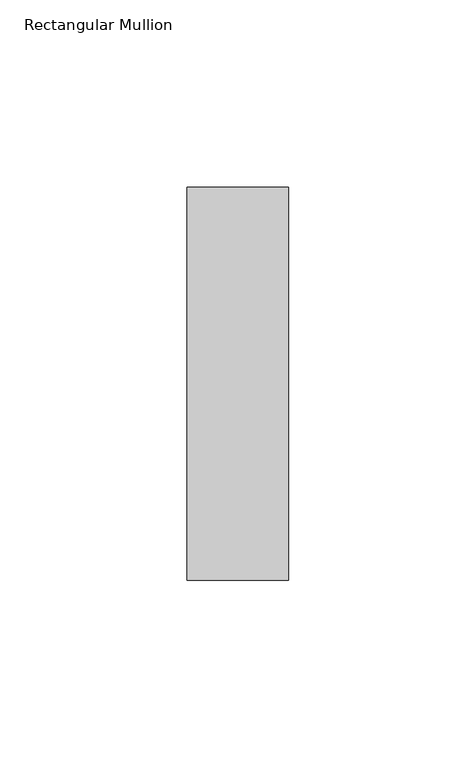
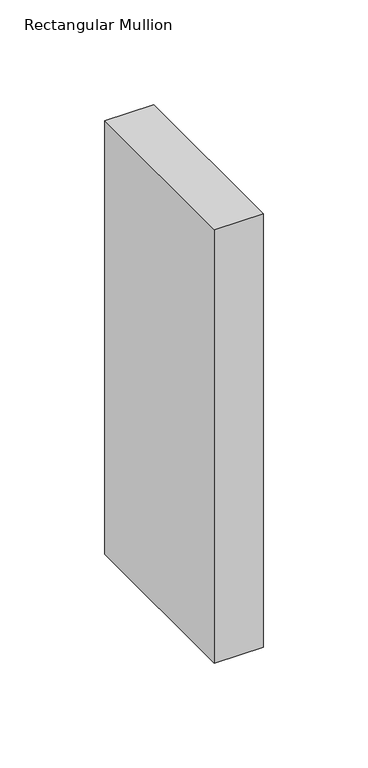
"""IFC4 building model written with IfcOpenShell, lengths in millimetres: member geometry, Rectangular Mullion."""

from ifc_helpers import new_model, si_unit, frame, origin, place, context, project, spatial, polyline, outline, extrude, source, transform, mapped, element, save


def rectangular_mullion_b993aa70(model_context):
    return source(origin(), model_context, "Body", "SweptSolid", [
        extrude(outline(polyline([(-27.0, 52.3975), (0.0, 52.3975), (0.0, -52.3975), (-27.0, -52.3975), (-27.0, 52.3975)])), frame((0.0, 0.0, -253.0), z_axis=(0.0, 0.0, 1.0), x_axis=(1.0, 0.0, 0.0)), (0.0, 0.0, 1.0), 253.0),
    ])


if __name__ == "__main__":
    model = new_model("IFC4")
    model_context = context("Model", 3, world=origin())
    ifc_project = project(units=[si_unit("LENGTHUNIT", "METRE", prefix="MILLI")], contexts=[model_context])
    site = spatial("IfcSite", under=ifc_project)
    building = spatial("IfcBuilding", under=site)
    placement = place(None, origin())
    rectangular_mullion_shape = rectangular_mullion_b993aa70(model_context)
    element("IfcMember", 1, ObjectType="Rectangular Mullion", at=placement, inside=building, context=model_context, shape_type="MappedRepresentation", body=[
        mapped(rectangular_mullion_shape, transform((0.0, 0.0, 0.0), x_axis=(1.0, 0.0, 0.0), y_axis=(0.0, 1.0, 0.0), z_axis=(0.0, 0.0, 1.0))),
    ])
    save(model, "model.ifc")
